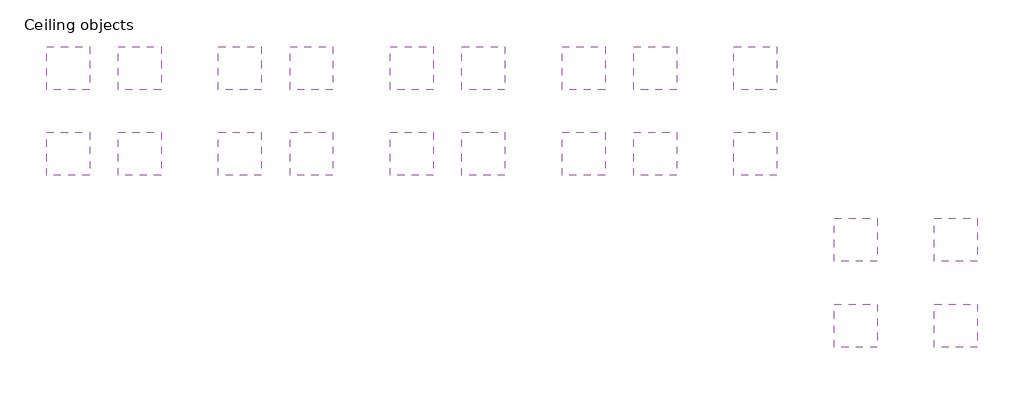
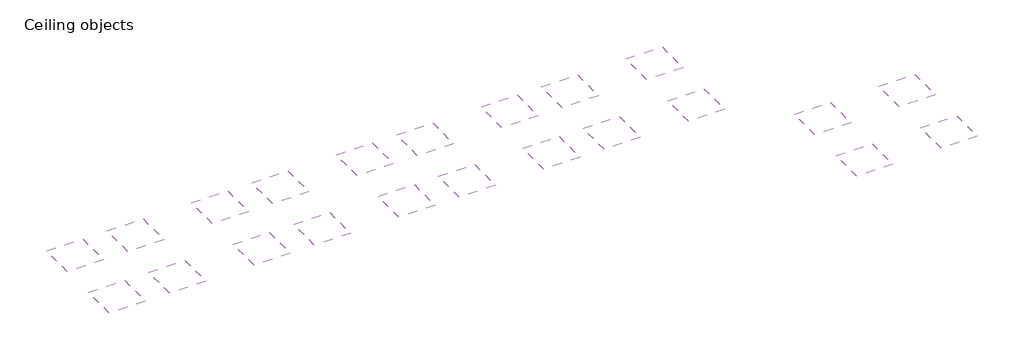
# One storey: 22 coverings.
"""IFC4 building model written with IfcOpenShell, lengths in millimetres."""

from ifc_helpers import new_model, si_unit, frame, origin, place, context, project, spatial, polyline, outline, extrude, element, save

model = new_model("IFC4")

# Units and contexts
model_context = context("Model", 3, world=origin())
ifc_project = project(units=[si_unit("LENGTHUNIT", "METRE", prefix="MILLI")], contexts=[model_context])

# Site, building, storey
site = spatial("IfcSite", under=ifc_project)
building = spatial("IfcBuilding", under=site)
storey = spatial("IfcBuildingStorey", under=building, Name="Ceiling objects", Elevation=0.0)

# Coverings
placement = place(None, origin())
element("IfcCovering", 1, at=placement, inside=storey, context=model_context, shape_type="SweptSolid", body=[
    extrude(outline(polyline([(-4783.0103193, 8117.0281757), (-4783.0103193, 5117.0281757), (-7783.0103193, 5117.0281757), (-7783.0103193, 8117.0281757), (-4783.0103193, 8117.0281757)])), frame((0.0, 0.0, 2600.0), z_axis=(0.0, 0.0, 1.0), x_axis=(1.0, 0.0, 0.0)), (0.0, 0.0, 1.0), 38.0000012),
])
element("IfcCovering", 2, at=placement, inside=storey, context=model_context, shape_type="SweptSolid", body=[
    extrude(outline(polyline([(-4783.0103193, 2117.0279837), (-4783.0103193, -882.9720163), (-7783.0103193, -882.9720163), (-7783.0103193, 2117.0279837), (-4783.0103193, 2117.0279837)])), frame((0.0, 0.0, 2600.0), z_axis=(0.0, 0.0, 1.0), x_axis=(1.0, 0.0, 0.0)), (0.0, 0.0, 1.0), 38.0000012),
])
element("IfcCovering", 3, at=placement, inside=storey, context=model_context, shape_type="SweptSolid", body=[
    extrude(outline(polyline([(216.9898407, 8117.0281757), (216.9898407, 5117.0281757), (-2783.0101593, 5117.0281757), (-2783.0101593, 8117.0281757), (216.9898407, 8117.0281757)])), frame((0.0, 0.0, 2600.0), z_axis=(0.0, 0.0, 1.0), x_axis=(1.0, 0.0, 0.0)), (0.0, 0.0, 1.0), 38.0000012),
])
element("IfcCovering", 4, at=placement, inside=storey, context=model_context, shape_type="SweptSolid", body=[
    extrude(outline(polyline([(216.9898407, 2117.0279837), (216.9898407, -882.9720163), (-2783.0101593, -882.9720163), (-2783.0101593, 2117.0279837), (216.9898407, 2117.0279837)])), frame((0.0, 0.0, 2600.0), z_axis=(0.0, 0.0, 1.0), x_axis=(1.0, 0.0, 0.0)), (0.0, 0.0, 1.0), 38.0000012),
])
element("IfcCovering", 5, at=placement, inside=storey, context=model_context, shape_type="SweptSolid", body=[
    extrude(outline(polyline([(7216.9900647, 8117.0281757), (7216.9900647, 5117.0281757), (4216.9900647, 5117.0281757), (4216.9900647, 8117.0281757), (7216.9900647, 8117.0281757)])), frame((0.0, 0.0, 2600.0), z_axis=(0.0, 0.0, 1.0), x_axis=(1.0, 0.0, 0.0)), (0.0, 0.0, 1.0), 38.0000012),
])
element("IfcCovering", 6, at=placement, inside=storey, context=model_context, shape_type="SweptSolid", body=[
    extrude(outline(polyline([(7216.9900647, 2117.0279837), (7216.9900647, -882.9720163), (4216.9900647, -882.9720163), (4216.9900647, 2117.0279837), (7216.9900647, 2117.0279837)])), frame((0.0, 0.0, 2600.0), z_axis=(0.0, 0.0, 1.0), x_axis=(1.0, 0.0, 0.0)), (0.0, 0.0, 1.0), 38.0000012),
])
element("IfcCovering", 7, at=placement, inside=storey, context=model_context, shape_type="SweptSolid", body=[
    extrude(outline(polyline([(12216.9902247, 8117.0281757), (12216.9902247, 5117.0281757), (9216.9902247, 5117.0281757), (9216.9902247, 8117.0281757), (12216.9902247, 8117.0281757)])), frame((0.0, 0.0, 2600.0), z_axis=(0.0, 0.0, 1.0), x_axis=(1.0, 0.0, 0.0)), (0.0, 0.0, 1.0), 38.0000012),
])
element("IfcCovering", 8, at=placement, inside=storey, context=model_context, shape_type="SweptSolid", body=[
    extrude(outline(polyline([(12216.9902247, 2117.0279837), (12216.9902247, -882.9720163), (9216.9902247, -882.9720163), (9216.9902247, 2117.0279837), (12216.9902247, 2117.0279837)])), frame((0.0, 0.0, 2600.0), z_axis=(0.0, 0.0, 1.0), x_axis=(1.0, 0.0, 0.0)), (0.0, 0.0, 1.0), 38.0000012),
])
element("IfcCovering", 9, at=placement, inside=storey, context=model_context, shape_type="SweptSolid", body=[
    extrude(outline(polyline([(19216.9904487, 8117.0281757), (19216.9904487, 5117.0281757), (16216.9904487, 5117.0281757), (16216.9904487, 8117.0281757), (19216.9904487, 8117.0281757)])), frame((0.0, 0.0, 2600.0), z_axis=(0.0, 0.0, 1.0), x_axis=(1.0, 0.0, 0.0)), (0.0, 0.0, 1.0), 38.0000012),
])
element("IfcCovering", 10, at=placement, inside=storey, context=model_context, shape_type="SweptSolid", body=[
    extrude(outline(polyline([(19216.9904487, 2117.0279837), (19216.9904487, -882.9720163), (16216.9904487, -882.9720163), (16216.9904487, 2117.0279837), (19216.9904487, 2117.0279837)])), frame((0.0, 0.0, 2600.0), z_axis=(0.0, 0.0, 1.0), x_axis=(1.0, 0.0, 0.0)), (0.0, 0.0, 1.0), 38.0000012),
])
element("IfcCovering", 11, at=placement, inside=storey, context=model_context, shape_type="SweptSolid", body=[
    extrude(outline(polyline([(24216.9906087, 8117.0281757), (24216.9906087, 5117.0281757), (21216.9906087, 5117.0281757), (21216.9906087, 8117.0281757), (24216.9906087, 8117.0281757)])), frame((0.0, 0.0, 2600.0), z_axis=(0.0, 0.0, 1.0), x_axis=(1.0, 0.0, 0.0)), (0.0, 0.0, 1.0), 38.0000012),
])
element("IfcCovering", 12, at=placement, inside=storey, context=model_context, shape_type="SweptSolid", body=[
    extrude(outline(polyline([(24216.9906087, 2117.0279837), (24216.9906087, -882.9720163), (21216.9906087, -882.9720163), (21216.9906087, 2117.0279837), (24216.9906087, 2117.0279837)])), frame((0.0, 0.0, 2600.0), z_axis=(0.0, 0.0, 1.0), x_axis=(1.0, 0.0, 0.0)), (0.0, 0.0, 1.0), 38.0000012),
])
element("IfcCovering", 13, at=placement, inside=storey, context=model_context, shape_type="SweptSolid", body=[
    extrude(outline(polyline([(31216.9908327, 8117.0281757), (31216.9908327, 5117.0281757), (28216.9908327, 5117.0281757), (28216.9908327, 8117.0281757), (31216.9908327, 8117.0281757)])), frame((0.0, 0.0, 2600.0), z_axis=(0.0, 0.0, 1.0), x_axis=(1.0, 0.0, 0.0)), (0.0, 0.0, 1.0), 38.0000012),
])
element("IfcCovering", 14, at=placement, inside=storey, context=model_context, shape_type="SweptSolid", body=[
    extrude(outline(polyline([(31216.9908327, 2117.0279837), (31216.9908327, -882.9720163), (28216.9908327, -882.9720163), (28216.9908327, 2117.0279837), (31216.9908327, 2117.0279837)])), frame((0.0, 0.0, 2600.0), z_axis=(0.0, 0.0, 1.0), x_axis=(1.0, 0.0, 0.0)), (0.0, 0.0, 1.0), 38.0000012),
])
element("IfcCovering", 15, at=placement, inside=storey, context=model_context, shape_type="SweptSolid", body=[
    extrude(outline(polyline([(36216.9909927, 8117.0281757), (36216.9909927, 5117.0281757), (33216.9909927, 5117.0281757), (33216.9909927, 8117.0281757), (36216.9909927, 8117.0281757)])), frame((0.0, 0.0, 2600.0), z_axis=(0.0, 0.0, 1.0), x_axis=(1.0, 0.0, 0.0)), (0.0, 0.0, 1.0), 38.0000012),
])
element("IfcCovering", 16, at=placement, inside=storey, context=model_context, shape_type="SweptSolid", body=[
    extrude(outline(polyline([(36216.9909927, 2117.0279837), (36216.9909927, -882.9720163), (33216.9909927, -882.9720163), (33216.9909927, 2117.0279837), (36216.9909927, 2117.0279837)])), frame((0.0, 0.0, 2600.0), z_axis=(0.0, 0.0, 1.0), x_axis=(1.0, 0.0, 0.0)), (0.0, 0.0, 1.0), 38.0000012),
])
element("IfcCovering", 17, at=placement, inside=storey, context=model_context, shape_type="SweptSolid", body=[
    extrude(outline(polyline([(43216.9912167, 8117.0281757), (43216.9912167, 5117.0281757), (40216.9912167, 5117.0281757), (40216.9912167, 8117.0281757), (43216.9912167, 8117.0281757)])), frame((0.0, 0.0, 2600.0), z_axis=(0.0, 0.0, 1.0), x_axis=(1.0, 0.0, 0.0)), (0.0, 0.0, 1.0), 38.0000012),
])
element("IfcCovering", 18, at=placement, inside=storey, context=model_context, shape_type="SweptSolid", body=[
    extrude(outline(polyline([(43216.9912167, 2117.0279837), (43216.9912167, -882.9720163), (40216.9912167, -882.9720163), (40216.9912167, 2117.0279837), (43216.9912167, 2117.0279837)])), frame((0.0, 0.0, 2600.0), z_axis=(0.0, 0.0, 1.0), x_axis=(1.0, 0.0, 0.0)), (0.0, 0.0, 1.0), 38.0000012),
])
element("IfcCovering", 19, at=placement, inside=storey, context=model_context, shape_type="SweptSolid", body=[
    extrude(outline(polyline([(50216.9914407, -3882.9722083), (50216.9914407, -6882.9722083), (47216.9914407, -6882.9722083), (47216.9914407, -3882.9722083), (50216.9914407, -3882.9722083)])), frame((0.0, 0.0, 2600.0), z_axis=(0.0, 0.0, 1.0), x_axis=(1.0, 0.0, 0.0)), (0.0, 0.0, 1.0), 38.0000012),
])
element("IfcCovering", 20, at=placement, inside=storey, context=model_context, shape_type="SweptSolid", body=[
    extrude(outline(polyline([(50216.9914407, -9882.9724003), (50216.9914407, -12882.9724003), (47216.9914407, -12882.9724003), (47216.9914407, -9882.9724003), (50216.9914407, -9882.9724003)])), frame((0.0, 0.0, 2600.0), z_axis=(0.0, 0.0, 1.0), x_axis=(1.0, 0.0, 0.0)), (0.0, 0.0, 1.0), 38.0000012),
])
element("IfcCovering", 21, at=placement, inside=storey, context=model_context, shape_type="SweptSolid", body=[
    extrude(outline(polyline([(57216.9916647, -3882.9722083), (57216.9916647, -6882.9722083), (54216.9916647, -6882.9722083), (54216.9916647, -3882.9722083), (57216.9916647, -3882.9722083)])), frame((0.0, 0.0, 2600.0), z_axis=(0.0, 0.0, 1.0), x_axis=(1.0, 0.0, 0.0)), (0.0, 0.0, 1.0), 38.0000012),
])
element("IfcCovering", 22, at=placement, inside=storey, context=model_context, shape_type="SweptSolid", body=[
    extrude(outline(polyline([(57216.9916647, -9882.9724003), (57216.9916647, -12882.9724003), (54216.9916647, -12882.9724003), (54216.9916647, -9882.9724003), (57216.9916647, -9882.9724003)])), frame((0.0, 0.0, 2600.0), z_axis=(0.0, 0.0, 1.0), x_axis=(1.0, 0.0, 0.0)), (0.0, 0.0, 1.0), 38.0000012),
])

save(model, "model.ifc")
